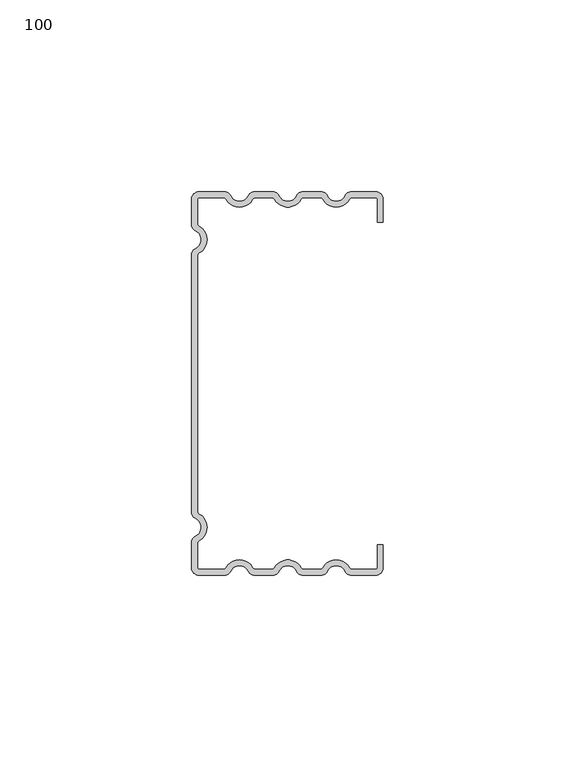
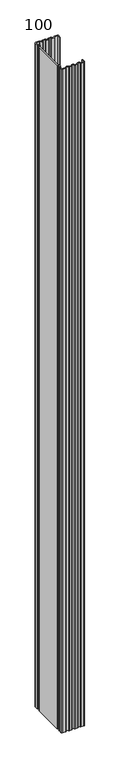
"""IFC4 building model written with IfcOpenShell, lengths in millimetres: proxy geometry, 100."""

from ifc_helpers import new_model, si_unit, point, frame_2d, origin, origin_with_axes, place, context, project, spatial, polyline, circle_curve, trimmed, segment, composite_curve, outline, extrude, source, transform, mapped, element, save


def proxy_100_e00c905c(model_context):
    return source(origin(), model_context, "Body", "SweptSolid", [
        extrude(outline(composite_curve([segment(polyline([(50.0, 42.0), (48.5, 42.0), (48.5, 48.0)]), True, "CONTINUOUS"), segment(trimmed(circle_curve(frame_2d((48.0, 48.0)), 0.5), [point((48.5, 48.0))], [point((48.0, 48.5))], True, "CARTESIAN"), True, "CONTINUOUS"), segment(polyline([(48.0, 48.5), (42.0640787, 48.5)]), True, "CONTINUOUS"), segment(trimmed(circle_curve(frame_2d((42.0640787, 47.5)), 1.0), [point((42.0640787, 48.5))], [point((41.1980533, 48.0))], True, "CARTESIAN"), True, "CONTINUOUS"), segment(trimmed(circle_curve(frame_2d((37.7339517, 50.0)), 4.0), [point((41.1980533, 48.0))], [point((34.2698501, 48.0))], False, "CARTESIAN"), True, "CONTINUOUS"), segment(trimmed(circle_curve(frame_2d((33.4038247, 47.5)), 1.0), [point((34.2698501, 48.0))], [point((33.4038247, 48.5))], True, "CARTESIAN"), True, "CONTINUOUS"), segment(polyline([(33.4038247, 48.5), (29.4471029, 48.5)]), True, "CONTINUOUS"), segment(trimmed(circle_curve(frame_2d((29.4471029, 47.5)), 1.0), [point((29.4471029, 48.5))], [point((28.5810775, 48.0))], True, "CARTESIAN"), True, "CONTINUOUS"), segment(trimmed(circle_curve(frame_2d((25.1169759, 50.0)), 4.0), [point((28.5810775, 48.0))], [point((21.6528742, 48.0))], False, "CARTESIAN"), True, "CONTINUOUS"), segment(trimmed(circle_curve(frame_2d((20.7868488, 47.5)), 1.0), [point((21.6528742, 48.0))], [point((20.7868488, 48.5))], True, "CARTESIAN"), True, "CONTINUOUS"), segment(polyline([(20.7868488, 48.5), (16.830127, 48.5)]), True, "CONTINUOUS"), segment(trimmed(circle_curve(frame_2d((16.830127, 47.5)), 1.0), [point((16.830127, 48.5))], [point((15.9641016, 48.0))], True, "CARTESIAN"), True, "CONTINUOUS"), segment(trimmed(circle_curve(frame_2d((12.5, 50.0)), 4.0), [point((15.9641016, 48.0))], [point((9.0358984, 48.0))], False, "CARTESIAN"), True, "CONTINUOUS"), segment(trimmed(circle_curve(frame_2d((8.169873, 47.5)), 1.0), [point((9.0358984, 48.0))], [point((8.169873, 48.5))], True, "CARTESIAN"), True, "CONTINUOUS"), segment(polyline([(8.169873, 48.5), (2.0, 48.5)]), True, "CONTINUOUS"), segment(trimmed(circle_curve(frame_2d((2.0, 48.0)), 0.5), [point((2.0, 48.5))], [point((1.5, 48.0))], True, "CARTESIAN"), True, "CONTINUOUS"), segment(polyline([(1.5, 48.0), (1.5, 41.830127)]), True, "CONTINUOUS"), segment(trimmed(circle_curve(frame_2d((2.5, 41.830127)), 1.0), [point((1.5, 41.830127))], [point((2.0, 40.9641016))], True, "CARTESIAN"), True, "CONTINUOUS"), segment(trimmed(circle_curve(frame_2d((0.0, 37.5)), 4.0), [point((2.0, 40.9641016))], [point((2.0, 34.0358984))], False, "CARTESIAN"), True, "CONTINUOUS"), segment(trimmed(circle_curve(frame_2d((2.5, 33.169873)), 1.0), [point((2.0, 34.0358984))], [point((1.5, 33.169873))], True, "CARTESIAN"), True, "CONTINUOUS"), segment(polyline([(1.5, 33.169873), (1.5, -33.169873)]), True, "CONTINUOUS"), segment(trimmed(circle_curve(frame_2d((2.5, -33.169873)), 1.0), [point((1.5, -33.169873))], [point((2.0, -34.0358984))], True, "CARTESIAN"), True, "CONTINUOUS"), segment(trimmed(circle_curve(frame_2d((0.0, -37.5)), 4.0), [point((2.0, -34.0358984))], [point((2.0, -40.9641016))], False, "CARTESIAN"), True, "CONTINUOUS"), segment(trimmed(circle_curve(frame_2d((2.5, -41.830127)), 1.0), [point((2.0, -40.9641016))], [point((1.5, -41.830127))], True, "CARTESIAN"), True, "CONTINUOUS"), segment(polyline([(1.5, -41.830127), (1.5, -48.0)]), True, "CONTINUOUS"), segment(trimmed(circle_curve(frame_2d((2.0, -48.0)), 0.5), [point((1.5, -48.0))], [point((2.0, -48.5))], True, "CARTESIAN"), True, "CONTINUOUS"), segment(polyline([(2.0, -48.5), (8.169873, -48.5)]), True, "CONTINUOUS"), segment(trimmed(circle_curve(frame_2d((8.169873, -47.5)), 1.0), [point((8.169873, -48.5))], [point((9.0358984, -48.0))], True, "CARTESIAN"), True, "CONTINUOUS"), segment(trimmed(circle_curve(frame_2d((12.5, -50.0)), 4.0), [point((9.0358984, -48.0))], [point((15.9641016, -48.0))], False, "CARTESIAN"), True, "CONTINUOUS"), segment(trimmed(circle_curve(frame_2d((16.830127, -47.5)), 1.0), [point((15.9641016, -48.0))], [point((16.830127, -48.5))], True, "CARTESIAN"), True, "CONTINUOUS"), segment(polyline([(16.830127, -48.5), (20.7868488, -48.5)]), True, "CONTINUOUS"), segment(trimmed(circle_curve(frame_2d((20.7868488, -47.5)), 1.0), [point((20.7868488, -48.5))], [point((21.6528742, -48.0))], True, "CARTESIAN"), True, "CONTINUOUS"), segment(trimmed(circle_curve(frame_2d((25.1169759, -50.0)), 4.0), [point((21.6528742, -48.0))], [point((28.5810775, -48.0))], False, "CARTESIAN"), True, "CONTINUOUS"), segment(trimmed(circle_curve(frame_2d((29.4471029, -47.5)), 1.0), [point((28.5810775, -48.0))], [point((29.4471029, -48.5))], True, "CARTESIAN"), True, "CONTINUOUS"), segment(polyline([(29.4471029, -48.5), (33.4038247, -48.5)]), True, "CONTINUOUS"), segment(trimmed(circle_curve(frame_2d((33.4038247, -47.5)), 1.0), [point((33.4038247, -48.5))], [point((34.2698501, -48.0))], True, "CARTESIAN"), True, "CONTINUOUS"), segment(trimmed(circle_curve(frame_2d((37.7339517, -50.0)), 4.0), [point((34.2698501, -48.0))], [point((41.1980533, -48.0))], False, "CARTESIAN"), True, "CONTINUOUS"), segment(trimmed(circle_curve(frame_2d((42.0640787, -47.5)), 1.0), [point((41.1980533, -48.0))], [point((42.0640787, -48.5))], True, "CARTESIAN"), True, "CONTINUOUS"), segment(polyline([(42.0640787, -48.5), (48.0, -48.5)]), True, "CONTINUOUS"), segment(trimmed(circle_curve(frame_2d((48.0, -48.0)), 0.5), [point((48.0, -48.5))], [point((48.5, -48.0))], True, "CARTESIAN"), True, "CONTINUOUS"), segment(polyline([(48.5, -48.0), (48.5, -42.0), (50.0, -42.0), (50.0, -48.0)]), True, "CONTINUOUS"), segment(trimmed(circle_curve(frame_2d((48.0, -48.0)), 2.0), [point((50.0, -48.0))], [point((48.0, -50.0))], False, "CARTESIAN"), True, "CONTINUOUS"), segment(polyline([(48.0, -50.0), (41.7650806, -50.0)]), True, "CONTINUOUS"), segment(trimmed(circle_curve(frame_2d((41.7650806, -48.0)), 2.0), [point((41.7650806, -50.0))], [point((39.9734678, -48.8888889))], False, "CARTESIAN"), True, "CONTINUOUS"), segment(trimmed(circle_curve(frame_2d((37.7339517, -50.0)), 2.5), [point((39.9734678, -48.8888889))], [point((35.4944357, -48.8888889))], True, "CARTESIAN"), True, "CONTINUOUS"), segment(trimmed(circle_curve(frame_2d((33.7028228, -48.0)), 2.0), [point((35.4944357, -48.8888889))], [point((33.7028228, -50.0))], False, "CARTESIAN"), True, "CONTINUOUS"), segment(polyline([(33.7028228, -50.0), (29.1481047, -50.0)]), True, "CONTINUOUS"), segment(trimmed(circle_curve(frame_2d((29.1481047, -48.0)), 2.0), [point((29.1481047, -50.0))], [point((27.3564919, -48.8888889))], False, "CARTESIAN"), True, "CONTINUOUS"), segment(trimmed(circle_curve(frame_2d((25.1169759, -50.0)), 2.5), [point((27.3564919, -48.8888889))], [point((22.8774598, -48.8888889))], True, "CARTESIAN"), True, "CONTINUOUS"), segment(trimmed(circle_curve(frame_2d((21.085847, -48.0)), 2.0), [point((22.8774598, -48.8888889))], [point((21.085847, -50.0))], False, "CARTESIAN"), True, "CONTINUOUS"), segment(polyline([(21.085847, -50.0), (16.5311289, -50.0)]), True, "CONTINUOUS"), segment(trimmed(circle_curve(frame_2d((16.5311289, -48.0)), 2.0), [point((16.5311289, -50.0))], [point((14.739516, -48.8888889))], False, "CARTESIAN"), True, "CONTINUOUS"), segment(trimmed(circle_curve(frame_2d((12.5, -50.0)), 2.5), [point((14.739516, -48.8888889))], [point((10.260484, -48.8888889))], True, "CARTESIAN"), True, "CONTINUOUS"), segment(trimmed(circle_curve(frame_2d((8.4688711, -48.0)), 2.0), [point((10.260484, -48.8888889))], [point((8.4688711, -50.0))], False, "CARTESIAN"), True, "CONTINUOUS"), segment(polyline([(8.4688711, -50.0), (2.0, -50.0)]), True, "CONTINUOUS"), segment(trimmed(circle_curve(frame_2d((2.0, -48.0)), 2.0), [point((2.0, -50.0))], [point((0.0, -48.0))], False, "CARTESIAN"), True, "CONTINUOUS"), segment(polyline([(0.0, -48.0), (0.0, -41.5311289)]), True, "CONTINUOUS"), segment(trimmed(circle_curve(frame_2d((2.0, -41.5311289)), 2.0), [point((0.0, -41.5311289))], [point((1.1111111, -39.739516))], False, "CARTESIAN"), True, "CONTINUOUS"), segment(trimmed(circle_curve(frame_2d((0.0, -37.5)), 2.5), [point((1.1111111, -39.739516))], [point((1.1111111, -35.260484))], True, "CARTESIAN"), True, "CONTINUOUS"), segment(trimmed(circle_curve(frame_2d((2.0, -33.4688711)), 2.0), [point((1.1111111, -35.260484))], [point((0.0, -33.4688711))], False, "CARTESIAN"), True, "CONTINUOUS"), segment(polyline([(0.0, -33.4688711), (0.0, 33.4688711)]), True, "CONTINUOUS"), segment(trimmed(circle_curve(frame_2d((2.0, 33.4688711)), 2.0), [point((0.0, 33.4688711))], [point((1.1111111, 35.260484))], False, "CARTESIAN"), True, "CONTINUOUS"), segment(trimmed(circle_curve(frame_2d((0.0, 37.5)), 2.5), [point((1.1111111, 35.260484))], [point((1.1111111, 39.739516))], True, "CARTESIAN"), True, "CONTINUOUS"), segment(trimmed(circle_curve(frame_2d((2.0, 41.5311289)), 2.0), [point((1.1111111, 39.739516))], [point((0.0, 41.5311289))], False, "CARTESIAN"), True, "CONTINUOUS"), segment(polyline([(0.0, 41.5311289), (0.0, 48.0)]), True, "CONTINUOUS"), segment(trimmed(circle_curve(frame_2d((2.0, 48.0)), 2.0), [point((0.0, 48.0))], [point((2.0, 50.0))], False, "CARTESIAN"), True, "CONTINUOUS"), segment(polyline([(2.0, 50.0), (8.4688711, 50.0)]), True, "CONTINUOUS"), segment(trimmed(circle_curve(frame_2d((8.4688711, 48.0)), 2.0), [point((8.4688711, 50.0))], [point((10.260484, 48.8888889))], False, "CARTESIAN"), True, "CONTINUOUS"), segment(trimmed(circle_curve(frame_2d((12.5, 50.0)), 2.5), [point((10.260484, 48.8888889))], [point((14.739516, 48.8888889))], True, "CARTESIAN"), True, "CONTINUOUS"), segment(trimmed(circle_curve(frame_2d((16.5311289, 48.0)), 2.0), [point((14.739516, 48.8888889))], [point((16.5311289, 50.0))], False, "CARTESIAN"), True, "CONTINUOUS"), segment(polyline([(16.5311289, 50.0), (21.085847, 50.0)]), True, "CONTINUOUS"), segment(trimmed(circle_curve(frame_2d((21.085847, 48.0)), 2.0), [point((21.085847, 50.0))], [point((22.8774598, 48.8888889))], False, "CARTESIAN"), True, "CONTINUOUS"), segment(trimmed(circle_curve(frame_2d((25.1169759, 50.0)), 2.5), [point((22.8774598, 48.8888889))], [point((27.3564919, 48.8888889))], True, "CARTESIAN"), True, "CONTINUOUS"), segment(trimmed(circle_curve(frame_2d((29.1481047, 48.0)), 2.0), [point((27.3564919, 48.8888889))], [point((29.1481047, 50.0))], False, "CARTESIAN"), True, "CONTINUOUS"), segment(polyline([(29.1481047, 50.0), (33.7028228, 50.0)]), True, "CONTINUOUS"), segment(trimmed(circle_curve(frame_2d((33.7028228, 48.0)), 2.0), [point((33.7028228, 50.0))], [point((35.4944357, 48.8888889))], False, "CARTESIAN"), True, "CONTINUOUS"), segment(trimmed(circle_curve(frame_2d((37.7339517, 50.0)), 2.5), [point((35.4944357, 48.8888889))], [point((39.9734678, 48.8888889))], True, "CARTESIAN"), True, "CONTINUOUS"), segment(trimmed(circle_curve(frame_2d((41.7650806, 48.0)), 2.0), [point((39.9734678, 48.8888889))], [point((41.7650806, 50.0))], False, "CARTESIAN"), True, "CONTINUOUS"), segment(polyline([(41.7650806, 50.0), (48.0, 50.0)]), True, "CONTINUOUS"), segment(trimmed(circle_curve(frame_2d((48.0, 48.0)), 2.0), [point((48.0, 50.0))], [point((50.0, 48.0))], False, "CARTESIAN"), True, "CONTINUOUS"), segment(polyline([(50.0, 48.0), (50.0, 42.0)]), True, "CONTINUOUS")], self_intersect=False)), origin_with_axes(), (0.0, 0.0, 1.0), 1500.0),
    ])


if __name__ == "__main__":
    model = new_model("IFC4")
    model_context = context("Model", 3, world=origin())
    ifc_project = project(units=[si_unit("LENGTHUNIT", "METRE", prefix="MILLI")], contexts=[model_context])
    site = spatial("IfcSite", under=ifc_project)
    building = spatial("IfcBuilding", under=site)
    placement = place(None, origin())
    proxy_100_shape = proxy_100_e00c905c(model_context)
    element("IfcBuildingElementProxy", 1, Name="100", ObjectType="100", at=placement, inside=building, context=model_context, shape_type="MappedRepresentation", body=[
        mapped(proxy_100_shape, transform((0.0, 0.0, 0.0), x_axis=(1.0, 0.0, 0.0), y_axis=(0.0, 1.0, 0.0), z_axis=(0.0, 0.0, 1.0))),
    ])
    save(model, "model.ifc")
